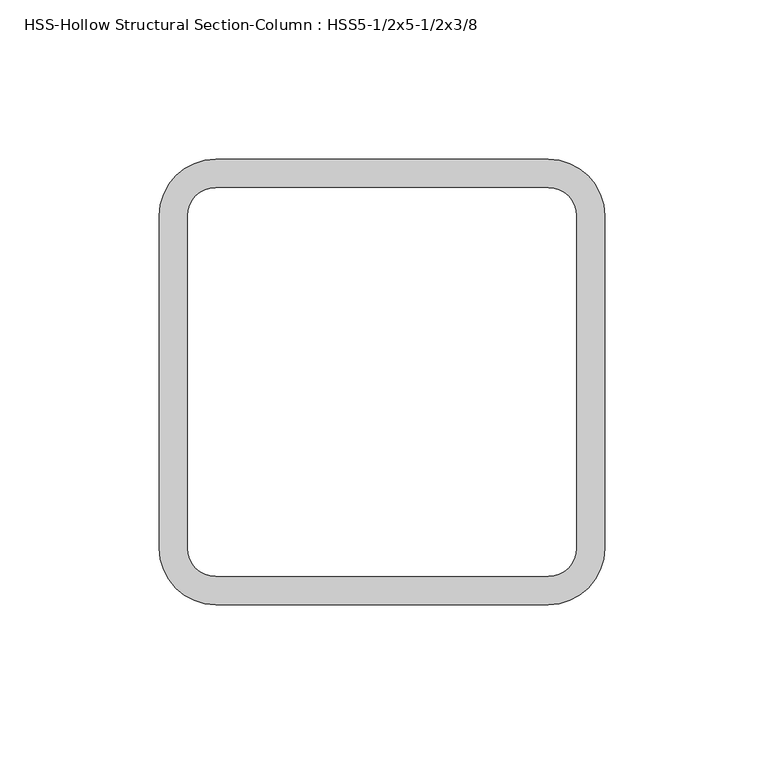
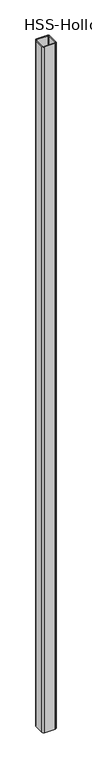
"""IFC4 building model written with IfcOpenShell, lengths in millimetres: column geometry, HSS-Hollow Structural Section-Column : HSS5-1/2x5-1/2x3/8."""

from ifc_helpers import new_model, si_unit, point, frame, frame_2d, origin, place, context, project, spatial, polyline, circle_curve, trimmed, segment, composite_curve, outline, extrude, source, transform, mapped, element, save


def hss_hollow_structural_section_column_hss5_1_2x5_1_2x3_8_a03f4651(model_context):
    return source(origin(), model_context, "Body", "SweptSolid", [
        extrude(outline(composite_curve([segment(trimmed(circle_curve(frame_2d((52.1208, 52.1208)), 17.7292), [point((52.1208, 69.85))], [point((69.85, 52.1208))], False, "CARTESIAN"), True, "CONTINUOUS"), segment(polyline([(69.85, 52.1208), (69.85, -52.1208)]), True, "CONTINUOUS"), segment(trimmed(circle_curve(frame_2d((52.1208, -52.1208)), 17.7292), [point((69.85, -52.1208))], [point((52.1208, -69.85))], False, "CARTESIAN"), True, "CONTINUOUS"), segment(polyline([(52.1208, -69.85), (-52.1208, -69.85)]), True, "CONTINUOUS"), segment(trimmed(circle_curve(frame_2d((-52.1208, -52.1208)), 17.7292), [point((-52.1208, -69.85))], [point((-69.85, -52.1208))], False, "CARTESIAN"), True, "CONTINUOUS"), segment(polyline([(-69.85, -52.1208), (-69.85, 52.1208)]), True, "CONTINUOUS"), segment(trimmed(circle_curve(frame_2d((-52.1208, 52.1208)), 17.7292), [point((-69.85, 52.1208))], [point((-52.1208, 69.85))], False, "CARTESIAN"), True, "CONTINUOUS"), segment(polyline([(-52.1208, 69.85), (52.1208, 69.85)]), True, "CONTINUOUS")], self_intersect=False), holes=[composite_curve([segment(polyline([(52.1208, 60.9854), (-52.1208, 60.9854)]), True, "CONTINUOUS"), segment(trimmed(circle_curve(frame_2d((-52.1208, 52.1208)), 8.8646), [point((-52.1208, 60.9854))], [point((-60.9854, 52.1208))], True, "CARTESIAN"), True, "CONTINUOUS"), segment(polyline([(-60.9854, 52.1208), (-60.9854, -52.1208)]), True, "CONTINUOUS"), segment(trimmed(circle_curve(frame_2d((-52.1208, -52.1208)), 8.8646), [point((-60.9854, -52.1208))], [point((-52.1208, -60.9854))], True, "CARTESIAN"), True, "CONTINUOUS"), segment(polyline([(-52.1208, -60.9854), (52.1208, -60.9854)]), True, "CONTINUOUS"), segment(trimmed(circle_curve(frame_2d((52.1208, -52.1208)), 8.8646), [point((52.1208, -60.9854))], [point((60.9854, -52.1208))], True, "CARTESIAN"), True, "CONTINUOUS"), segment(polyline([(60.9854, -52.1208), (60.9854, 52.1208)]), True, "CONTINUOUS"), segment(trimmed(circle_curve(frame_2d((52.1208, 52.1208)), 8.8646), [point((60.9854, 52.1208))], [point((52.1208, 60.9854))], True, "CARTESIAN"), True, "CONTINUOUS")], self_intersect=False)]), frame((0.0, 0.0, 3251.2), z_axis=(0.0, 0.0, 1.0), x_axis=(1.0, 0.0, 0.0)), (0.0, 0.0, 1.0), 7264.4),
    ])


if __name__ == "__main__":
    model = new_model("IFC4")
    model_context = context("Model", 3, world=origin())
    ifc_project = project(units=[si_unit("LENGTHUNIT", "METRE", prefix="MILLI")], contexts=[model_context])
    site = spatial("IfcSite", under=ifc_project)
    building = spatial("IfcBuilding", under=site)
    placement = place(None, origin())
    hss_hollow_structural_section_column_hss5_1_2x5_1_2x3_8_shape = hss_hollow_structural_section_column_hss5_1_2x5_1_2x3_8_a03f4651(model_context)
    element("IfcColumn", 1, ObjectType="HSS-Hollow Structural Section-Column : HSS5-1/2x5-1/2x3/8", at=placement, inside=building, context=model_context, shape_type="MappedRepresentation", body=[
        mapped(hss_hollow_structural_section_column_hss5_1_2x5_1_2x3_8_shape, transform((0.0, 0.0, 0.0), x_axis=(1.0, 0.0, 0.0), y_axis=(0.0, 1.0, 0.0), z_axis=(0.0, 0.0, 1.0))),
    ])
    save(model, "model.ifc")
